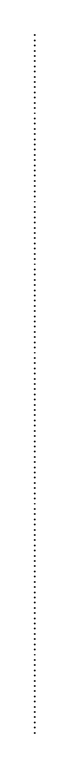
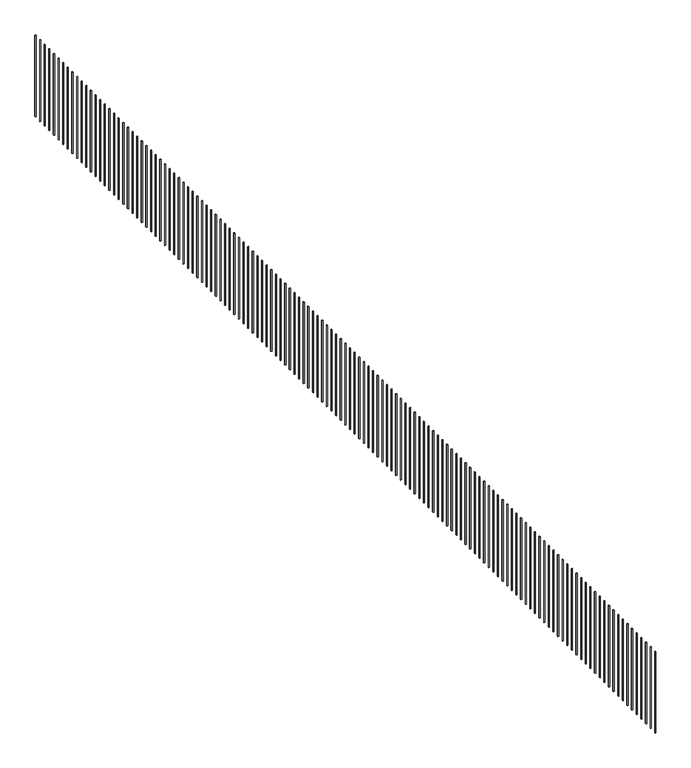
"""IFC4 building model written with IfcOpenShell, lengths in millimetres: railing geometry."""

import ifcopenshell
import ifcopenshell.guid

model = None  # the IFC model being written
_history = None  # IfcOwnerHistory: only IFC2X3 demands one
_inside = {}  # id of a spatial element -> (the spatial element, [elements in it])
_under = {}  # id of a project, library or spatial element -> (it, [spatial elements below it])
_declared = {}  # id of a project -> (the project, [libraries it declares])
_typed = {}  # id of a type object -> (the type object, [elements of that type])
_made_of = {}  # id of a material, layer set ... -> (it, [elements and type objects made of it])


def new_model(schema):
    """Start an empty IFC model of exactly this schema.

    Asked for "IFC4X3", IfcOpenShell would pick the latest addendum, in which some entities
    have other attributes; the version numbers below select the first issue.
    IFC2X3 requires an IfcOwnerHistory on every rooted entity: one is made here for all.
    """
    global model, _history
    if schema == "IFC4X3":
        model = ifcopenshell.file(schema_version=(4, 3, 0, 0))
    else:
        model = ifcopenshell.file(schema=schema)
    _inside.clear()
    _under.clear()
    _declared.clear()
    _typed.clear()
    _made_of.clear()
    _history = None
    if model.schema == "IFC2X3":
        org = make("IfcOrganization", Name="unknown")
        user = make(
            "IfcPersonAndOrganization",
            ThePerson=make("IfcPerson", FamilyName="unknown"),
            TheOrganization=org,
        )
        app = make(
            "IfcApplication",
            ApplicationDeveloper=org,
            Version="unknown",
            ApplicationFullName="unknown",
            ApplicationIdentifier="unknown",
        )
        _history = make(
            "IfcOwnerHistory",
            OwningUser=user,
            OwningApplication=app,
            ChangeAction="ADDED",
            CreationDate=0,
        )
    return model


def make(cls, **values):
    """One entity of the class cls with the attributes given. An attribute that is None is left unset."""
    return model.create_entity(
        cls, **{name: value for name, value in values.items() if value is not None}
    )


def rooted(cls, **values):
    """An entity with a GlobalId (a new one), such as an element, a storey or a relation."""
    return make(cls, GlobalId=ifcopenshell.guid.new(), OwnerHistory=_history, **values)


def si_unit(unit_type, name, prefix=None):
    """IfcSIUnit, for example si_unit("LENGTHUNIT", "METRE", prefix="MILLI")."""
    return make("IfcSIUnit", UnitType=unit_type, Prefix=prefix, Name=name)


def assignment(units):
    """IfcUnitAssignment: the units of a project."""
    return None if units is None else make("IfcUnitAssignment", Units=units)


def point(xyz):
    """IfcCartesianPoint."""
    return None if xyz is None else make("IfcCartesianPoint", Coordinates=xyz)


def direction(xyz):
    """IfcDirection."""
    return None if xyz is None else make("IfcDirection", DirectionRatios=xyz)


def frame(location, z_axis=None, x_axis=None):
    """IfcAxis2Placement3D, a coordinate frame: its origin and axes. An axis left out is left unset."""
    return make(
        "IfcAxis2Placement3D",
        Location=point(location),
        Axis=direction(z_axis),
        RefDirection=direction(x_axis),
    )


def origin():
    """The frame at (0, 0, 0) with its axes left unset."""
    return frame((0.0, 0.0, 0.0))


def place(relative_to, where):
    """IfcLocalPlacement: puts the frame where relative to a parent placement (None: the world)."""
    return make(
        "IfcLocalPlacement", PlacementRelTo=relative_to, RelativePlacement=where
    )


def context(
    kind, dimensions, precision=None, world=None, true_north=None, identifier=None
):
    """IfcGeometricRepresentationContext, for example the 3D "Model" context."""
    return make(
        "IfcGeometricRepresentationContext",
        ContextIdentifier=identifier,
        ContextType=kind,
        CoordinateSpaceDimension=dimensions,
        Precision=precision,
        WorldCoordinateSystem=world,
        TrueNorth=true_north,
    )


def project(units=None, contexts=None):
    """IfcProject with its units and contexts."""
    return rooted(
        "IfcProject",
        Name="project",
        RepresentationContexts=contexts,
        UnitsInContext=assignment(units),
    )


def spatial(cls, under=None, at=None, **own):
    """A site, building, storey or space (cls), placed at a placement, below another one or the project."""
    s = rooted(cls, ObjectPlacement=at, **own)
    if under is not None:
        _under.setdefault(under.id(), (under, []))[1].append(s)
    return s


def polyline(points):
    """IfcPolyline through the points."""
    return make("IfcPolyline", Points=[point(p) for p in points])


def outline(outer, holes=None, kind="AREA"):
    """IfcArbitraryClosedProfileDef: a profile drawn as a closed curve; with holes, ...WithVoids."""
    if holes is None:
        return make("IfcArbitraryClosedProfileDef", ProfileType=kind, OuterCurve=outer)
    return make(
        "IfcArbitraryProfileDefWithVoids",
        ProfileType=kind,
        OuterCurve=outer,
        InnerCurves=holes,
    )


def extrude(swept, where, along, depth):
    """IfcExtrudedAreaSolid: the profile swept, set in the frame where, extruded along a direction by depth."""
    return make(
        "IfcExtrudedAreaSolid",
        SweptArea=swept,
        Position=where,
        ExtrudedDirection=direction(along),
        Depth=depth,
    )


def shape(context_of_items, identifier, shape_type, items):
    """IfcShapeRepresentation: the items that make up one representation, for example the "Body"."""
    return make(
        "IfcShapeRepresentation",
        ContextOfItems=context_of_items,
        RepresentationIdentifier=identifier,
        RepresentationType=shape_type,
        Items=items,
    )


def source(mapping_origin, context_of_items, identifier, shape_type, items):
    """IfcRepresentationMap: a shape defined once, which mapped items show again and again."""
    return make(
        "IfcRepresentationMap",
        MappingOrigin=mapping_origin,
        MappedRepresentation=shape(context_of_items, identifier, shape_type, items),
    )


def transform(
    local_origin,
    x_axis=None,
    y_axis=None,
    z_axis=None,
    scale=None,
    scale2=None,
    scale3=None,
    uniform=True,
):
    """IfcCartesianTransformationOperator3D, or its non-uniform kind. x_axis, y_axis, z_axis: its Axis1, 2, 3."""
    if uniform:
        return make(
            "IfcCartesianTransformationOperator3D",
            Axis1=direction(x_axis),
            Axis2=direction(y_axis),
            LocalOrigin=point(local_origin),
            Scale=scale,
            Axis3=direction(z_axis),
        )
    return make(
        "IfcCartesianTransformationOperator3DnonUniform",
        Axis1=direction(x_axis),
        Axis2=direction(y_axis),
        LocalOrigin=point(local_origin),
        Scale=scale,
        Axis3=direction(z_axis),
        Scale2=scale2,
        Scale3=scale3,
    )


def mapped(mapping_source, mapping_target):
    """IfcMappedItem: shows the shape of a source again, moved by a transform."""
    return make(
        "IfcMappedItem", MappingSource=mapping_source, MappingTarget=mapping_target
    )


def made_of(thing, what):
    """Note that an element or type object is made of a material, layer set ...; save() writes the relation."""
    if what is not None:
        _made_of.setdefault(what.id(), (what, []))[1].append(thing)
    return thing


def element(
    cls,
    number,
    at=None,
    inside=None,
    cuts=None,
    type_object=None,
    material=None,
    context=None,
    identifier="Body",
    shape_type=None,
    held_by="IfcProductDefinitionShape",
    body=None,
    shapes=None,
    **own,
):
    """One element of the class cls, such as IfcWall. Its Tag is "e" and its number.

    at: its placement. inside: the storey or other place that contains it. cuts: it is an
    opening in that element (IfcRelVoidsElement). A single representation is given by context,
    identifier, shape_type and body (its items); several are given by shapes. held_by: the class
    of the entity that holds the representations. save() writes the other relations.
    """
    e = rooted(cls, Tag="e%d" % number, ObjectPlacement=at, **own)
    if body is not None:
        shapes = [shape(context, identifier, shape_type, body)]
    if shapes is not None:
        e.Representation = make(held_by, Representations=shapes)
    if inside is not None:
        _inside.setdefault(inside.id(), (inside, []))[1].append(e)
    if cuts is not None:
        rooted(
            "IfcRelVoidsElement", RelatingBuildingElement=cuts, RelatedOpeningElement=e
        )
    if type_object is not None:
        _typed.setdefault(type_object.id(), (type_object, []))[1].append(e)
    return made_of(e, material)


def aggregate(whole, parts):
    """IfcRelAggregates: a whole, such as a stair, and the parts it consists of."""
    return rooted("IfcRelAggregates", RelatingObject=whole, RelatedObjects=parts)


def save(model, path):
    """Write the relations noted so far, then the file.

    IfcRelAggregates (storeys below a building ...), IfcRelContainedInSpatialStructure (elements
    in a storey), IfcRelDefinesByType, IfcRelAssociatesMaterial and IfcRelDeclares: one each for
    every whole, place, type object, material and project.
    """
    for whole, parts in _under.values():
        aggregate(whole, parts)
    for where, things in _inside.values():
        rooted(
            "IfcRelContainedInSpatialStructure",
            RelatedElements=things,
            RelatingStructure=where,
        )
    for kind, things in _typed.values():
        rooted("IfcRelDefinesByType", RelatedObjects=things, RelatingType=kind)
    for what, things in _made_of.values():
        rooted("IfcRelAssociatesMaterial", RelatedObjects=things, RelatingMaterial=what)
    for by, libraries in _declared.values():
        rooted("IfcRelDeclares", RelatingContext=by, RelatedDefinitions=libraries)
    model.write(path)


def railing_72ad2bd1(model_context):
    return source(origin(), model_context, "Body", "SweptSolid", [
        extrude(outline(polyline([(-42017.2544917, 29992.6236386), (-42042.2544917, 29992.6236386), (-42042.2544917, 30017.6236386), (-42017.2544917, 30017.6236386), (-42017.2544917, 29992.6236386)])), frame((0.0, 0.0, 1900.0), z_axis=(0.0, 0.0, 1.0), x_axis=(1.0, 0.0, 0.0)), (0.0, 0.0, 1.0), 2950.0),
        extrude(outline(polyline([(-42017.2544917, 29717.6236386), (-42042.2544917, 29717.6236386), (-42042.2544917, 29742.6236386), (-42017.2544917, 29742.6236386), (-42017.2544917, 29717.6236386)])), frame((0.0, 0.0, 1900.0), z_axis=(0.0, 0.0, 1.0), x_axis=(1.0, 0.0, 0.0)), (0.0, 0.0, 1.0), 2950.0),
        extrude(outline(polyline([(-42017.2544917, 29442.6236386), (-42042.2544917, 29442.6236386), (-42042.2544917, 29467.6236386), (-42017.2544917, 29467.6236386), (-42017.2544917, 29442.6236386)])), frame((0.0, 0.0, 1900.0), z_axis=(0.0, 0.0, 1.0), x_axis=(1.0, 0.0, 0.0)), (0.0, 0.0, 1.0), 2950.0),
        extrude(outline(polyline([(-42017.2544917, 29167.6236386), (-42042.2544917, 29167.6236386), (-42042.2544917, 29192.6236386), (-42017.2544917, 29192.6236386), (-42017.2544917, 29167.6236386)])), frame((0.0, 0.0, 1900.0), z_axis=(0.0, 0.0, 1.0), x_axis=(1.0, 0.0, 0.0)), (0.0, 0.0, 1.0), 2950.0),
        extrude(outline(polyline([(-42017.2544917, 28892.6236386), (-42042.2544917, 28892.6236386), (-42042.2544917, 28917.6236386), (-42017.2544917, 28917.6236386), (-42017.2544917, 28892.6236386)])), frame((0.0, 0.0, 1900.0), z_axis=(0.0, 0.0, 1.0), x_axis=(1.0, 0.0, 0.0)), (0.0, 0.0, 1.0), 2950.0),
        extrude(outline(polyline([(-42017.2544917, 28617.6236386), (-42042.2544917, 28617.6236386), (-42042.2544917, 28642.6236386), (-42017.2544917, 28642.6236386), (-42017.2544917, 28617.6236386)])), frame((0.0, 0.0, 1900.0), z_axis=(0.0, 0.0, 1.0), x_axis=(1.0, 0.0, 0.0)), (0.0, 0.0, 1.0), 2950.0),
        extrude(outline(polyline([(-42017.2544917, 28342.6236386), (-42042.2544917, 28342.6236386), (-42042.2544917, 28367.6236386), (-42017.2544917, 28367.6236386), (-42017.2544917, 28342.6236386)])), frame((0.0, 0.0, 1900.0), z_axis=(0.0, 0.0, 1.0), x_axis=(1.0, 0.0, 0.0)), (0.0, 0.0, 1.0), 2950.0),
        extrude(outline(polyline([(-42017.2544917, 28067.6236386), (-42042.2544917, 28067.6236386), (-42042.2544917, 28092.6236386), (-42017.2544917, 28092.6236386), (-42017.2544917, 28067.6236386)])), frame((0.0, 0.0, 1900.0), z_axis=(0.0, 0.0, 1.0), x_axis=(1.0, 0.0, 0.0)), (0.0, 0.0, 1.0), 2950.0),
        extrude(outline(polyline([(-42017.2544917, 27792.6236386), (-42042.2544917, 27792.6236386), (-42042.2544917, 27817.6236386), (-42017.2544917, 27817.6236386), (-42017.2544917, 27792.6236386)])), frame((0.0, 0.0, 1900.0), z_axis=(0.0, 0.0, 1.0), x_axis=(1.0, 0.0, 0.0)), (0.0, 0.0, 1.0), 2950.0),
        extrude(outline(polyline([(-42017.2544917, 27517.6236386), (-42042.2544917, 27517.6236386), (-42042.2544917, 27542.6236386), (-42017.2544917, 27542.6236386), (-42017.2544917, 27517.6236386)])), frame((0.0, 0.0, 1900.0), z_axis=(0.0, 0.0, 1.0), x_axis=(1.0, 0.0, 0.0)), (0.0, 0.0, 1.0), 2950.0),
        extrude(outline(polyline([(-42017.2544917, 27242.6236386), (-42042.2544917, 27242.6236386), (-42042.2544917, 27267.6236386), (-42017.2544917, 27267.6236386), (-42017.2544917, 27242.6236386)])), frame((0.0, 0.0, 1900.0), z_axis=(0.0, 0.0, 1.0), x_axis=(1.0, 0.0, 0.0)), (0.0, 0.0, 1.0), 2950.0),
        extrude(outline(polyline([(-42017.2544917, 26967.6236386), (-42042.2544917, 26967.6236386), (-42042.2544917, 26992.6236386), (-42017.2544917, 26992.6236386), (-42017.2544917, 26967.6236386)])), frame((0.0, 0.0, 1900.0), z_axis=(0.0, 0.0, 1.0), x_axis=(1.0, 0.0, 0.0)), (0.0, 0.0, 1.0), 2950.0),
        extrude(outline(polyline([(-42017.2544917, 26692.6236386), (-42042.2544917, 26692.6236386), (-42042.2544917, 26717.6236386), (-42017.2544917, 26717.6236386), (-42017.2544917, 26692.6236386)])), frame((0.0, 0.0, 1900.0), z_axis=(0.0, 0.0, 1.0), x_axis=(1.0, 0.0, 0.0)), (0.0, 0.0, 1.0), 2950.0),
        extrude(outline(polyline([(-42017.2544917, 26417.6236386), (-42042.2544917, 26417.6236386), (-42042.2544917, 26442.6236386), (-42017.2544917, 26442.6236386), (-42017.2544917, 26417.6236386)])), frame((0.0, 0.0, 1900.0), z_axis=(0.0, 0.0, 1.0), x_axis=(1.0, 0.0, 0.0)), (0.0, 0.0, 1.0), 2950.0),
        extrude(outline(polyline([(-42017.2544917, 26142.6236386), (-42042.2544917, 26142.6236386), (-42042.2544917, 26167.6236386), (-42017.2544917, 26167.6236386), (-42017.2544917, 26142.6236386)])), frame((0.0, 0.0, 1900.0), z_axis=(0.0, 0.0, 1.0), x_axis=(1.0, 0.0, 0.0)), (0.0, 0.0, 1.0), 2950.0),
        extrude(outline(polyline([(-42017.2544917, 25867.6236386), (-42042.2544917, 25867.6236386), (-42042.2544917, 25892.6236386), (-42017.2544917, 25892.6236386), (-42017.2544917, 25867.6236386)])), frame((0.0, 0.0, 1900.0), z_axis=(0.0, 0.0, 1.0), x_axis=(1.0, 0.0, 0.0)), (0.0, 0.0, 1.0), 2950.0),
        extrude(outline(polyline([(-42017.2544917, 25592.6236386), (-42042.2544917, 25592.6236386), (-42042.2544917, 25617.6236386), (-42017.2544917, 25617.6236386), (-42017.2544917, 25592.6236386)])), frame((0.0, 0.0, 1900.0), z_axis=(0.0, 0.0, 1.0), x_axis=(1.0, 0.0, 0.0)), (0.0, 0.0, 1.0), 2950.0),
        extrude(outline(polyline([(-42017.2544917, 25317.6236386), (-42042.2544917, 25317.6236386), (-42042.2544917, 25342.6236386), (-42017.2544917, 25342.6236386), (-42017.2544917, 25317.6236386)])), frame((0.0, 0.0, 1900.0), z_axis=(0.0, 0.0, 1.0), x_axis=(1.0, 0.0, 0.0)), (0.0, 0.0, 1.0), 2950.0),
        extrude(outline(polyline([(-42017.2544917, 25042.6236386), (-42042.2544917, 25042.6236386), (-42042.2544917, 25067.6236386), (-42017.2544917, 25067.6236386), (-42017.2544917, 25042.6236386)])), frame((0.0, 0.0, 1900.0), z_axis=(0.0, 0.0, 1.0), x_axis=(1.0, 0.0, 0.0)), (0.0, 0.0, 1.0), 2950.0),
        extrude(outline(polyline([(-42017.2544917, 24767.6236386), (-42042.2544917, 24767.6236386), (-42042.2544917, 24792.6236386), (-42017.2544917, 24792.6236386), (-42017.2544917, 24767.6236386)])), frame((0.0, 0.0, 1900.0), z_axis=(0.0, 0.0, 1.0), x_axis=(1.0, 0.0, 0.0)), (0.0, 0.0, 1.0), 2950.0),
        extrude(outline(polyline([(-42017.2544917, 24492.6236386), (-42042.2544917, 24492.6236386), (-42042.2544917, 24517.6236386), (-42017.2544917, 24517.6236386), (-42017.2544917, 24492.6236386)])), frame((0.0, 0.0, 1900.0), z_axis=(0.0, 0.0, 1.0), x_axis=(1.0, 0.0, 0.0)), (0.0, 0.0, 1.0), 2950.0),
        extrude(outline(polyline([(-42017.2544917, 24217.6236386), (-42042.2544917, 24217.6236386), (-42042.2544917, 24242.6236386), (-42017.2544917, 24242.6236386), (-42017.2544917, 24217.6236386)])), frame((0.0, 0.0, 1900.0), z_axis=(0.0, 0.0, 1.0), x_axis=(1.0, 0.0, 0.0)), (0.0, 0.0, 1.0), 2950.0),
        extrude(outline(polyline([(-42017.2544917, 23942.6236386), (-42042.2544917, 23942.6236386), (-42042.2544917, 23967.6236386), (-42017.2544917, 23967.6236386), (-42017.2544917, 23942.6236386)])), frame((0.0, 0.0, 1900.0), z_axis=(0.0, 0.0, 1.0), x_axis=(1.0, 0.0, 0.0)), (0.0, 0.0, 1.0), 2950.0),
        extrude(outline(polyline([(-42017.2544917, 23667.6236386), (-42042.2544917, 23667.6236386), (-42042.2544917, 23692.6236386), (-42017.2544917, 23692.6236386), (-42017.2544917, 23667.6236386)])), frame((0.0, 0.0, 1900.0), z_axis=(0.0, 0.0, 1.0), x_axis=(1.0, 0.0, 0.0)), (0.0, 0.0, 1.0), 2950.0),
        extrude(outline(polyline([(-42017.2544917, 23392.6236386), (-42042.2544917, 23392.6236386), (-42042.2544917, 23417.6236386), (-42017.2544917, 23417.6236386), (-42017.2544917, 23392.6236386)])), frame((0.0, 0.0, 1900.0), z_axis=(0.0, 0.0, 1.0), x_axis=(1.0, 0.0, 0.0)), (0.0, 0.0, 1.0), 2950.0),
        extrude(outline(polyline([(-42017.2544917, 23117.6236386), (-42042.2544917, 23117.6236386), (-42042.2544917, 23142.6236386), (-42017.2544917, 23142.6236386), (-42017.2544917, 23117.6236386)])), frame((0.0, 0.0, 1900.0), z_axis=(0.0, 0.0, 1.0), x_axis=(1.0, 0.0, 0.0)), (0.0, 0.0, 1.0), 2950.0),
        extrude(outline(polyline([(-42017.2544917, 22842.6236386), (-42042.2544917, 22842.6236386), (-42042.2544917, 22867.6236386), (-42017.2544917, 22867.6236386), (-42017.2544917, 22842.6236386)])), frame((0.0, 0.0, 1900.0), z_axis=(0.0, 0.0, 1.0), x_axis=(1.0, 0.0, 0.0)), (0.0, 0.0, 1.0), 2950.0),
        extrude(outline(polyline([(-42017.2544917, 22567.6236386), (-42042.2544917, 22567.6236386), (-42042.2544917, 22592.6236386), (-42017.2544917, 22592.6236386), (-42017.2544917, 22567.6236386)])), frame((0.0, 0.0, 1900.0), z_axis=(0.0, 0.0, 1.0), x_axis=(1.0, 0.0, 0.0)), (0.0, 0.0, 1.0), 2950.0),
        extrude(outline(polyline([(-42017.2544917, 22292.6236386), (-42042.2544917, 22292.6236386), (-42042.2544917, 22317.6236386), (-42017.2544917, 22317.6236386), (-42017.2544917, 22292.6236386)])), frame((0.0, 0.0, 1900.0), z_axis=(0.0, 0.0, 1.0), x_axis=(1.0, 0.0, 0.0)), (0.0, 0.0, 1.0), 2950.0),
        extrude(outline(polyline([(-42017.2544917, 22017.6236386), (-42042.2544917, 22017.6236386), (-42042.2544917, 22042.6236386), (-42017.2544917, 22042.6236386), (-42017.2544917, 22017.6236386)])), frame((0.0, 0.0, 1900.0), z_axis=(0.0, 0.0, 1.0), x_axis=(1.0, 0.0, 0.0)), (0.0, 0.0, 1.0), 2950.0),
        extrude(outline(polyline([(-42017.2544917, 21742.6236386), (-42042.2544917, 21742.6236386), (-42042.2544917, 21767.6236386), (-42017.2544917, 21767.6236386), (-42017.2544917, 21742.6236386)])), frame((0.0, 0.0, 1900.0), z_axis=(0.0, 0.0, 1.0), x_axis=(1.0, 0.0, 0.0)), (0.0, 0.0, 1.0), 2950.0),
        extrude(outline(polyline([(-42017.2544917, 21467.6236386), (-42042.2544917, 21467.6236386), (-42042.2544917, 21492.6236386), (-42017.2544917, 21492.6236386), (-42017.2544917, 21467.6236386)])), frame((0.0, 0.0, 1900.0), z_axis=(0.0, 0.0, 1.0), x_axis=(1.0, 0.0, 0.0)), (0.0, 0.0, 1.0), 2950.0),
        extrude(outline(polyline([(-42017.2544917, 21192.6236386), (-42042.2544917, 21192.6236386), (-42042.2544917, 21217.6236386), (-42017.2544917, 21217.6236386), (-42017.2544917, 21192.6236386)])), frame((0.0, 0.0, 1900.0), z_axis=(0.0, 0.0, 1.0), x_axis=(1.0, 0.0, 0.0)), (0.0, 0.0, 1.0), 2950.0),
        extrude(outline(polyline([(-42017.2544917, 20917.6236386), (-42042.2544917, 20917.6236386), (-42042.2544917, 20942.6236386), (-42017.2544917, 20942.6236386), (-42017.2544917, 20917.6236386)])), frame((0.0, 0.0, 1900.0), z_axis=(0.0, 0.0, 1.0), x_axis=(1.0, 0.0, 0.0)), (0.0, 0.0, 1.0), 2950.0),
        extrude(outline(polyline([(-42017.2544917, 20642.6236386), (-42042.2544917, 20642.6236386), (-42042.2544917, 20667.6236386), (-42017.2544917, 20667.6236386), (-42017.2544917, 20642.6236386)])), frame((0.0, 0.0, 1900.0), z_axis=(0.0, 0.0, 1.0), x_axis=(1.0, 0.0, 0.0)), (0.0, 0.0, 1.0), 2950.0),
        extrude(outline(polyline([(-42017.2544917, 20367.6236386), (-42042.2544917, 20367.6236386), (-42042.2544917, 20392.6236386), (-42017.2544917, 20392.6236386), (-42017.2544917, 20367.6236386)])), frame((0.0, 0.0, 1900.0), z_axis=(0.0, 0.0, 1.0), x_axis=(1.0, 0.0, 0.0)), (0.0, 0.0, 1.0), 2950.0),
        extrude(outline(polyline([(-42017.2544917, 20092.6236386), (-42042.2544917, 20092.6236386), (-42042.2544917, 20117.6236386), (-42017.2544917, 20117.6236386), (-42017.2544917, 20092.6236386)])), frame((0.0, 0.0, 1900.0), z_axis=(0.0, 0.0, 1.0), x_axis=(1.0, 0.0, 0.0)), (0.0, 0.0, 1.0), 2950.0),
        extrude(outline(polyline([(-42017.2544917, 19817.6236386), (-42042.2544917, 19817.6236386), (-42042.2544917, 19842.6236386), (-42017.2544917, 19842.6236386), (-42017.2544917, 19817.6236386)])), frame((0.0, 0.0, 1900.0), z_axis=(0.0, 0.0, 1.0), x_axis=(1.0, 0.0, 0.0)), (0.0, 0.0, 1.0), 2950.0),
        extrude(outline(polyline([(-42017.2544917, 19542.6236386), (-42042.2544917, 19542.6236386), (-42042.2544917, 19567.6236386), (-42017.2544917, 19567.6236386), (-42017.2544917, 19542.6236386)])), frame((0.0, 0.0, 1900.0), z_axis=(0.0, 0.0, 1.0), x_axis=(1.0, 0.0, 0.0)), (0.0, 0.0, 1.0), 2950.0),
        extrude(outline(polyline([(-42017.2544917, 19267.6236386), (-42042.2544917, 19267.6236386), (-42042.2544917, 19292.6236386), (-42017.2544917, 19292.6236386), (-42017.2544917, 19267.6236386)])), frame((0.0, 0.0, 1900.0), z_axis=(0.0, 0.0, 1.0), x_axis=(1.0, 0.0, 0.0)), (0.0, 0.0, 1.0), 2950.0),
        extrude(outline(polyline([(-42017.2544917, 18992.6236386), (-42042.2544917, 18992.6236386), (-42042.2544917, 19017.6236386), (-42017.2544917, 19017.6236386), (-42017.2544917, 18992.6236386)])), frame((0.0, 0.0, 1900.0), z_axis=(0.0, 0.0, 1.0), x_axis=(1.0, 0.0, 0.0)), (0.0, 0.0, 1.0), 2950.0),
        extrude(outline(polyline([(-42017.2544917, 18717.6236386), (-42042.2544917, 18717.6236386), (-42042.2544917, 18742.6236386), (-42017.2544917, 18742.6236386), (-42017.2544917, 18717.6236386)])), frame((0.0, 0.0, 1900.0), z_axis=(0.0, 0.0, 1.0), x_axis=(1.0, 0.0, 0.0)), (0.0, 0.0, 1.0), 2950.0),
        extrude(outline(polyline([(-42017.2544917, 18442.6236386), (-42042.2544917, 18442.6236386), (-42042.2544917, 18467.6236386), (-42017.2544917, 18467.6236386), (-42017.2544917, 18442.6236386)])), frame((0.0, 0.0, 1900.0), z_axis=(0.0, 0.0, 1.0), x_axis=(1.0, 0.0, 0.0)), (0.0, 0.0, 1.0), 2950.0),
        extrude(outline(polyline([(-42017.2544917, 18167.6236386), (-42042.2544917, 18167.6236386), (-42042.2544917, 18192.6236386), (-42017.2544917, 18192.6236386), (-42017.2544917, 18167.6236386)])), frame((0.0, 0.0, 1900.0), z_axis=(0.0, 0.0, 1.0), x_axis=(1.0, 0.0, 0.0)), (0.0, 0.0, 1.0), 2950.0),
        extrude(outline(polyline([(-42017.2544917, 17892.6236386), (-42042.2544917, 17892.6236386), (-42042.2544917, 17917.6236386), (-42017.2544917, 17917.6236386), (-42017.2544917, 17892.6236386)])), frame((0.0, 0.0, 1900.0), z_axis=(0.0, 0.0, 1.0), x_axis=(1.0, 0.0, 0.0)), (0.0, 0.0, 1.0), 2950.0),
        extrude(outline(polyline([(-42017.2544917, 17617.6236386), (-42042.2544917, 17617.6236386), (-42042.2544917, 17642.6236386), (-42017.2544917, 17642.6236386), (-42017.2544917, 17617.6236386)])), frame((0.0, 0.0, 1900.0), z_axis=(0.0, 0.0, 1.0), x_axis=(1.0, 0.0, 0.0)), (0.0, 0.0, 1.0), 2950.0),
        extrude(outline(polyline([(-42017.2544917, 17342.6236386), (-42042.2544917, 17342.6236386), (-42042.2544917, 17367.6236386), (-42017.2544917, 17367.6236386), (-42017.2544917, 17342.6236386)])), frame((0.0, 0.0, 1900.0), z_axis=(0.0, 0.0, 1.0), x_axis=(1.0, 0.0, 0.0)), (0.0, 0.0, 1.0), 2950.0),
        extrude(outline(polyline([(-42017.2544917, 17067.6236386), (-42042.2544917, 17067.6236386), (-42042.2544917, 17092.6236386), (-42017.2544917, 17092.6236386), (-42017.2544917, 17067.6236386)])), frame((0.0, 0.0, 1900.0), z_axis=(0.0, 0.0, 1.0), x_axis=(1.0, 0.0, 0.0)), (0.0, 0.0, 1.0), 2950.0),
        extrude(outline(polyline([(-42017.2544917, 16792.6236386), (-42042.2544917, 16792.6236386), (-42042.2544917, 16817.6236386), (-42017.2544917, 16817.6236386), (-42017.2544917, 16792.6236386)])), frame((0.0, 0.0, 1900.0), z_axis=(0.0, 0.0, 1.0), x_axis=(1.0, 0.0, 0.0)), (0.0, 0.0, 1.0), 2950.0),
        extrude(outline(polyline([(-42017.2544917, 16517.6236386), (-42042.2544917, 16517.6236386), (-42042.2544917, 16542.6236386), (-42017.2544917, 16542.6236386), (-42017.2544917, 16517.6236386)])), frame((0.0, 0.0, 1900.0), z_axis=(0.0, 0.0, 1.0), x_axis=(1.0, 0.0, 0.0)), (0.0, 0.0, 1.0), 2950.0),
        extrude(outline(polyline([(-42017.2544917, 16242.6236386), (-42042.2544917, 16242.6236386), (-42042.2544917, 16267.6236386), (-42017.2544917, 16267.6236386), (-42017.2544917, 16242.6236386)])), frame((0.0, 0.0, 1900.0), z_axis=(0.0, 0.0, 1.0), x_axis=(1.0, 0.0, 0.0)), (0.0, 0.0, 1.0), 2950.0),
        extrude(outline(polyline([(-42017.2544917, 15967.6236386), (-42042.2544917, 15967.6236386), (-42042.2544917, 15992.6236386), (-42017.2544917, 15992.6236386), (-42017.2544917, 15967.6236386)])), frame((0.0, 0.0, 1900.0), z_axis=(0.0, 0.0, 1.0), x_axis=(1.0, 0.0, 0.0)), (0.0, 0.0, 1.0), 2950.0),
        extrude(outline(polyline([(-42017.2544917, 15692.6236386), (-42042.2544917, 15692.6236386), (-42042.2544917, 15717.6236386), (-42017.2544917, 15717.6236386), (-42017.2544917, 15692.6236386)])), frame((0.0, 0.0, 1900.0), z_axis=(0.0, 0.0, 1.0), x_axis=(1.0, 0.0, 0.0)), (0.0, 0.0, 1.0), 2950.0),
        extrude(outline(polyline([(-42017.2544917, 15417.6236386), (-42042.2544917, 15417.6236386), (-42042.2544917, 15442.6236386), (-42017.2544917, 15442.6236386), (-42017.2544917, 15417.6236386)])), frame((0.0, 0.0, 1900.0), z_axis=(0.0, 0.0, 1.0), x_axis=(1.0, 0.0, 0.0)), (0.0, 0.0, 1.0), 2950.0),
        extrude(outline(polyline([(-42017.2544917, 15142.6236386), (-42042.2544917, 15142.6236386), (-42042.2544917, 15167.6236386), (-42017.2544917, 15167.6236386), (-42017.2544917, 15142.6236386)])), frame((0.0, 0.0, 1900.0), z_axis=(0.0, 0.0, 1.0), x_axis=(1.0, 0.0, 0.0)), (0.0, 0.0, 1.0), 2950.0),
        extrude(outline(polyline([(-42017.2544917, 14867.6236386), (-42042.2544917, 14867.6236386), (-42042.2544917, 14892.6236386), (-42017.2544917, 14892.6236386), (-42017.2544917, 14867.6236386)])), frame((0.0, 0.0, 1900.0), z_axis=(0.0, 0.0, 1.0), x_axis=(1.0, 0.0, 0.0)), (0.0, 0.0, 1.0), 2950.0),
        extrude(outline(polyline([(-42017.2544917, 14592.6236386), (-42042.2544917, 14592.6236386), (-42042.2544917, 14617.6236386), (-42017.2544917, 14617.6236386), (-42017.2544917, 14592.6236386)])), frame((0.0, 0.0, 1900.0), z_axis=(0.0, 0.0, 1.0), x_axis=(1.0, 0.0, 0.0)), (0.0, 0.0, 1.0), 2950.0),
        extrude(outline(polyline([(-42017.2544917, 14317.6236386), (-42042.2544917, 14317.6236386), (-42042.2544917, 14342.6236386), (-42017.2544917, 14342.6236386), (-42017.2544917, 14317.6236386)])), frame((0.0, 0.0, 1900.0), z_axis=(0.0, 0.0, 1.0), x_axis=(1.0, 0.0, 0.0)), (0.0, 0.0, 1.0), 2950.0),
        extrude(outline(polyline([(-42017.2544917, 14042.6236386), (-42042.2544917, 14042.6236386), (-42042.2544917, 14067.6236386), (-42017.2544917, 14067.6236386), (-42017.2544917, 14042.6236386)])), frame((0.0, 0.0, 1900.0), z_axis=(0.0, 0.0, 1.0), x_axis=(1.0, 0.0, 0.0)), (0.0, 0.0, 1.0), 2950.0),
        extrude(outline(polyline([(-42017.2544917, 13767.6236386), (-42042.2544917, 13767.6236386), (-42042.2544917, 13792.6236386), (-42017.2544917, 13792.6236386), (-42017.2544917, 13767.6236386)])), frame((0.0, 0.0, 1900.0), z_axis=(0.0, 0.0, 1.0), x_axis=(1.0, 0.0, 0.0)), (0.0, 0.0, 1.0), 2950.0),
        extrude(outline(polyline([(-42017.2544917, 13492.6236386), (-42042.2544917, 13492.6236386), (-42042.2544917, 13517.6236386), (-42017.2544917, 13517.6236386), (-42017.2544917, 13492.6236386)])), frame((0.0, 0.0, 1900.0), z_axis=(0.0, 0.0, 1.0), x_axis=(1.0, 0.0, 0.0)), (0.0, 0.0, 1.0), 2950.0),
        extrude(outline(polyline([(-42017.2544917, 13217.6236386), (-42042.2544917, 13217.6236386), (-42042.2544917, 13242.6236386), (-42017.2544917, 13242.6236386), (-42017.2544917, 13217.6236386)])), frame((0.0, 0.0, 1900.0), z_axis=(0.0, 0.0, 1.0), x_axis=(1.0, 0.0, 0.0)), (0.0, 0.0, 1.0), 2950.0),
        extrude(outline(polyline([(-42017.2544917, 12942.6236386), (-42042.2544917, 12942.6236386), (-42042.2544917, 12967.6236386), (-42017.2544917, 12967.6236386), (-42017.2544917, 12942.6236386)])), frame((0.0, 0.0, 1900.0), z_axis=(0.0, 0.0, 1.0), x_axis=(1.0, 0.0, 0.0)), (0.0, 0.0, 1.0), 2950.0),
        extrude(outline(polyline([(-42017.2544917, 12667.6236386), (-42042.2544917, 12667.6236386), (-42042.2544917, 12692.6236386), (-42017.2544917, 12692.6236386), (-42017.2544917, 12667.6236386)])), frame((0.0, 0.0, 1900.0), z_axis=(0.0, 0.0, 1.0), x_axis=(1.0, 0.0, 0.0)), (0.0, 0.0, 1.0), 2950.0),
        extrude(outline(polyline([(-42017.2544917, 12392.6236386), (-42042.2544917, 12392.6236386), (-42042.2544917, 12417.6236386), (-42017.2544917, 12417.6236386), (-42017.2544917, 12392.6236386)])), frame((0.0, 0.0, 1900.0), z_axis=(0.0, 0.0, 1.0), x_axis=(1.0, 0.0, 0.0)), (0.0, 0.0, 1.0), 2950.0),
        extrude(outline(polyline([(-42017.2544917, 12117.6236386), (-42042.2544917, 12117.6236386), (-42042.2544917, 12142.6236386), (-42017.2544917, 12142.6236386), (-42017.2544917, 12117.6236386)])), frame((0.0, 0.0, 1900.0), z_axis=(0.0, 0.0, 1.0), x_axis=(1.0, 0.0, 0.0)), (0.0, 0.0, 1.0), 2950.0),
        extrude(outline(polyline([(-42017.2544917, 11842.6236386), (-42042.2544917, 11842.6236386), (-42042.2544917, 11867.6236386), (-42017.2544917, 11867.6236386), (-42017.2544917, 11842.6236386)])), frame((0.0, 0.0, 1900.0), z_axis=(0.0, 0.0, 1.0), x_axis=(1.0, 0.0, 0.0)), (0.0, 0.0, 1.0), 2950.0),
        extrude(outline(polyline([(-42017.2544917, 11567.6236386), (-42042.2544917, 11567.6236386), (-42042.2544917, 11592.6236386), (-42017.2544917, 11592.6236386), (-42017.2544917, 11567.6236386)])), frame((0.0, 0.0, 1900.0), z_axis=(0.0, 0.0, 1.0), x_axis=(1.0, 0.0, 0.0)), (0.0, 0.0, 1.0), 2950.0),
        extrude(outline(polyline([(-42017.2544917, 11292.6236386), (-42042.2544917, 11292.6236386), (-42042.2544917, 11317.6236386), (-42017.2544917, 11317.6236386), (-42017.2544917, 11292.6236386)])), frame((0.0, 0.0, 1900.0), z_axis=(0.0, 0.0, 1.0), x_axis=(1.0, 0.0, 0.0)), (0.0, 0.0, 1.0), 2950.0),
        extrude(outline(polyline([(-42017.2544917, 11017.6236386), (-42042.2544917, 11017.6236386), (-42042.2544917, 11042.6236386), (-42017.2544917, 11042.6236386), (-42017.2544917, 11017.6236386)])), frame((0.0, 0.0, 1900.0), z_axis=(0.0, 0.0, 1.0), x_axis=(1.0, 0.0, 0.0)), (0.0, 0.0, 1.0), 2950.0),
        extrude(outline(polyline([(-42017.2544917, 10742.6236386), (-42042.2544917, 10742.6236386), (-42042.2544917, 10767.6236386), (-42017.2544917, 10767.6236386), (-42017.2544917, 10742.6236386)])), frame((0.0, 0.0, 1900.0), z_axis=(0.0, 0.0, 1.0), x_axis=(1.0, 0.0, 0.0)), (0.0, 0.0, 1.0), 2950.0),
        extrude(outline(polyline([(-42017.2544917, 10467.6236386), (-42042.2544917, 10467.6236386), (-42042.2544917, 10492.6236386), (-42017.2544917, 10492.6236386), (-42017.2544917, 10467.6236386)])), frame((0.0, 0.0, 1900.0), z_axis=(0.0, 0.0, 1.0), x_axis=(1.0, 0.0, 0.0)), (0.0, 0.0, 1.0), 2950.0),
        extrude(outline(polyline([(-42017.2544917, 10192.6236386), (-42042.2544917, 10192.6236386), (-42042.2544917, 10217.6236386), (-42017.2544917, 10217.6236386), (-42017.2544917, 10192.6236386)])), frame((0.0, 0.0, 1900.0), z_axis=(0.0, 0.0, 1.0), x_axis=(1.0, 0.0, 0.0)), (0.0, 0.0, 1.0), 2950.0),
        extrude(outline(polyline([(-42017.2544917, 9917.6236386), (-42042.2544917, 9917.6236386), (-42042.2544917, 9942.6236386), (-42017.2544917, 9942.6236386), (-42017.2544917, 9917.6236386)])), frame((0.0, 0.0, 1900.0), z_axis=(0.0, 0.0, 1.0), x_axis=(1.0, 0.0, 0.0)), (0.0, 0.0, 1.0), 2950.0),
        extrude(outline(polyline([(-42017.2544917, 9642.6236386), (-42042.2544917, 9642.6236386), (-42042.2544917, 9667.6236386), (-42017.2544917, 9667.6236386), (-42017.2544917, 9642.6236386)])), frame((0.0, 0.0, 1900.0), z_axis=(0.0, 0.0, 1.0), x_axis=(1.0, 0.0, 0.0)), (0.0, 0.0, 1.0), 2950.0),
        extrude(outline(polyline([(-42017.2544917, 9367.6236386), (-42042.2544917, 9367.6236386), (-42042.2544917, 9392.6236386), (-42017.2544917, 9392.6236386), (-42017.2544917, 9367.6236386)])), frame((0.0, 0.0, 1900.0), z_axis=(0.0, 0.0, 1.0), x_axis=(1.0, 0.0, 0.0)), (0.0, 0.0, 1.0), 2950.0),
        extrude(outline(polyline([(-42017.2544917, 9092.6236386), (-42042.2544917, 9092.6236386), (-42042.2544917, 9117.6236386), (-42017.2544917, 9117.6236386), (-42017.2544917, 9092.6236386)])), frame((0.0, 0.0, 1900.0), z_axis=(0.0, 0.0, 1.0), x_axis=(1.0, 0.0, 0.0)), (0.0, 0.0, 1.0), 2950.0),
        extrude(outline(polyline([(-42017.2544917, 8817.6236386), (-42042.2544917, 8817.6236386), (-42042.2544917, 8842.6236386), (-42017.2544917, 8842.6236386), (-42017.2544917, 8817.6236386)])), frame((0.0, 0.0, 1900.0), z_axis=(0.0, 0.0, 1.0), x_axis=(1.0, 0.0, 0.0)), (0.0, 0.0, 1.0), 2950.0),
        extrude(outline(polyline([(-42017.2544917, 8542.6236386), (-42042.2544917, 8542.6236386), (-42042.2544917, 8567.6236386), (-42017.2544917, 8567.6236386), (-42017.2544917, 8542.6236386)])), frame((0.0, 0.0, 1900.0), z_axis=(0.0, 0.0, 1.0), x_axis=(1.0, 0.0, 0.0)), (0.0, 0.0, 1.0), 2950.0),
        extrude(outline(polyline([(-42017.2544917, 8267.6236386), (-42042.2544917, 8267.6236386), (-42042.2544917, 8292.6236386), (-42017.2544917, 8292.6236386), (-42017.2544917, 8267.6236386)])), frame((0.0, 0.0, 1900.0), z_axis=(0.0, 0.0, 1.0), x_axis=(1.0, 0.0, 0.0)), (0.0, 0.0, 1.0), 2950.0),
        extrude(outline(polyline([(-42017.2544917, 7992.6236386), (-42042.2544917, 7992.6236386), (-42042.2544917, 8017.6236386), (-42017.2544917, 8017.6236386), (-42017.2544917, 7992.6236386)])), frame((0.0, 0.0, 1900.0), z_axis=(0.0, 0.0, 1.0), x_axis=(1.0, 0.0, 0.0)), (0.0, 0.0, 1.0), 2950.0),
        extrude(outline(polyline([(-42017.2544917, 7717.6236386), (-42042.2544917, 7717.6236386), (-42042.2544917, 7742.6236386), (-42017.2544917, 7742.6236386), (-42017.2544917, 7717.6236386)])), frame((0.0, 0.0, 1900.0), z_axis=(0.0, 0.0, 1.0), x_axis=(1.0, 0.0, 0.0)), (0.0, 0.0, 1.0), 2950.0),
        extrude(outline(polyline([(-42017.2544917, 7442.6236386), (-42042.2544917, 7442.6236386), (-42042.2544917, 7467.6236386), (-42017.2544917, 7467.6236386), (-42017.2544917, 7442.6236386)])), frame((0.0, 0.0, 1900.0), z_axis=(0.0, 0.0, 1.0), x_axis=(1.0, 0.0, 0.0)), (0.0, 0.0, 1.0), 2950.0),
        extrude(outline(polyline([(-42017.2544917, 7167.6236386), (-42042.2544917, 7167.6236386), (-42042.2544917, 7192.6236386), (-42017.2544917, 7192.6236386), (-42017.2544917, 7167.6236386)])), frame((0.0, 0.0, 1900.0), z_axis=(0.0, 0.0, 1.0), x_axis=(1.0, 0.0, 0.0)), (0.0, 0.0, 1.0), 2950.0),
        extrude(outline(polyline([(-42017.2544917, 6892.6236386), (-42042.2544917, 6892.6236386), (-42042.2544917, 6917.6236386), (-42017.2544917, 6917.6236386), (-42017.2544917, 6892.6236386)])), frame((0.0, 0.0, 1900.0), z_axis=(0.0, 0.0, 1.0), x_axis=(1.0, 0.0, 0.0)), (0.0, 0.0, 1.0), 2950.0),
        extrude(outline(polyline([(-42017.2544917, 6617.6236386), (-42042.2544917, 6617.6236386), (-42042.2544917, 6642.6236386), (-42017.2544917, 6642.6236386), (-42017.2544917, 6617.6236386)])), frame((0.0, 0.0, 1900.0), z_axis=(0.0, 0.0, 1.0), x_axis=(1.0, 0.0, 0.0)), (0.0, 0.0, 1.0), 2950.0),
        extrude(outline(polyline([(-42017.2544917, 6342.6236386), (-42042.2544917, 6342.6236386), (-42042.2544917, 6367.6236386), (-42017.2544917, 6367.6236386), (-42017.2544917, 6342.6236386)])), frame((0.0, 0.0, 1900.0), z_axis=(0.0, 0.0, 1.0), x_axis=(1.0, 0.0, 0.0)), (0.0, 0.0, 1.0), 2950.0),
        extrude(outline(polyline([(-42017.2544917, 6067.6236386), (-42042.2544917, 6067.6236386), (-42042.2544917, 6092.6236386), (-42017.2544917, 6092.6236386), (-42017.2544917, 6067.6236386)])), frame((0.0, 0.0, 1900.0), z_axis=(0.0, 0.0, 1.0), x_axis=(1.0, 0.0, 0.0)), (0.0, 0.0, 1.0), 2950.0),
        extrude(outline(polyline([(-42017.2544917, 5792.6236386), (-42042.2544917, 5792.6236386), (-42042.2544917, 5817.6236386), (-42017.2544917, 5817.6236386), (-42017.2544917, 5792.6236386)])), frame((0.0, 0.0, 1900.0), z_axis=(0.0, 0.0, 1.0), x_axis=(1.0, 0.0, 0.0)), (0.0, 0.0, 1.0), 2950.0),
        extrude(outline(polyline([(-42017.2544917, 5517.6236386), (-42042.2544917, 5517.6236386), (-42042.2544917, 5542.6236386), (-42017.2544917, 5542.6236386), (-42017.2544917, 5517.6236386)])), frame((0.0, 0.0, 1900.0), z_axis=(0.0, 0.0, 1.0), x_axis=(1.0, 0.0, 0.0)), (0.0, 0.0, 1.0), 2950.0),
        extrude(outline(polyline([(-42017.2544917, 5242.6236386), (-42042.2544917, 5242.6236386), (-42042.2544917, 5267.6236386), (-42017.2544917, 5267.6236386), (-42017.2544917, 5242.6236386)])), frame((0.0, 0.0, 1900.0), z_axis=(0.0, 0.0, 1.0), x_axis=(1.0, 0.0, 0.0)), (0.0, 0.0, 1.0), 2950.0),
        extrude(outline(polyline([(-42017.2544917, 4967.6236386), (-42042.2544917, 4967.6236386), (-42042.2544917, 4992.6236386), (-42017.2544917, 4992.6236386), (-42017.2544917, 4967.6236386)])), frame((0.0, 0.0, 1900.0), z_axis=(0.0, 0.0, 1.0), x_axis=(1.0, 0.0, 0.0)), (0.0, 0.0, 1.0), 2950.0),
        extrude(outline(polyline([(-42017.2544917, 4692.6236386), (-42042.2544917, 4692.6236386), (-42042.2544917, 4717.6236386), (-42017.2544917, 4717.6236386), (-42017.2544917, 4692.6236386)])), frame((0.0, 0.0, 1900.0), z_axis=(0.0, 0.0, 1.0), x_axis=(1.0, 0.0, 0.0)), (0.0, 0.0, 1.0), 2950.0),
        extrude(outline(polyline([(-42017.2544917, 4417.6236386), (-42042.2544917, 4417.6236386), (-42042.2544917, 4442.6236386), (-42017.2544917, 4442.6236386), (-42017.2544917, 4417.6236386)])), frame((0.0, 0.0, 1900.0), z_axis=(0.0, 0.0, 1.0), x_axis=(1.0, 0.0, 0.0)), (0.0, 0.0, 1.0), 2950.0),
        extrude(outline(polyline([(-42017.2544917, 4142.6236386), (-42042.2544917, 4142.6236386), (-42042.2544917, 4167.6236386), (-42017.2544917, 4167.6236386), (-42017.2544917, 4142.6236386)])), frame((0.0, 0.0, 1900.0), z_axis=(0.0, 0.0, 1.0), x_axis=(1.0, 0.0, 0.0)), (0.0, 0.0, 1.0), 2950.0),
        extrude(outline(polyline([(-42017.2544917, 3867.6236386), (-42042.2544917, 3867.6236386), (-42042.2544917, 3892.6236386), (-42017.2544917, 3892.6236386), (-42017.2544917, 3867.6236386)])), frame((0.0, 0.0, 1900.0), z_axis=(0.0, 0.0, 1.0), x_axis=(1.0, 0.0, 0.0)), (0.0, 0.0, 1.0), 2950.0),
        extrude(outline(polyline([(-42017.2544917, 3592.6236386), (-42042.2544917, 3592.6236386), (-42042.2544917, 3617.6236386), (-42017.2544917, 3617.6236386), (-42017.2544917, 3592.6236386)])), frame((0.0, 0.0, 1900.0), z_axis=(0.0, 0.0, 1.0), x_axis=(1.0, 0.0, 0.0)), (0.0, 0.0, 1.0), 2950.0),
        extrude(outline(polyline([(-42017.2544917, 3317.6236386), (-42042.2544917, 3317.6236386), (-42042.2544917, 3342.6236386), (-42017.2544917, 3342.6236386), (-42017.2544917, 3317.6236386)])), frame((0.0, 0.0, 1900.0), z_axis=(0.0, 0.0, 1.0), x_axis=(1.0, 0.0, 0.0)), (0.0, 0.0, 1.0), 2950.0),
        extrude(outline(polyline([(-42017.2544917, 3042.6236386), (-42042.2544917, 3042.6236386), (-42042.2544917, 3067.6236386), (-42017.2544917, 3067.6236386), (-42017.2544917, 3042.6236386)])), frame((0.0, 0.0, 1900.0), z_axis=(0.0, 0.0, 1.0), x_axis=(1.0, 0.0, 0.0)), (0.0, 0.0, 1.0), 2950.0),
        extrude(outline(polyline([(-42017.2544917, 2767.6236386), (-42042.2544917, 2767.6236386), (-42042.2544917, 2792.6236386), (-42017.2544917, 2792.6236386), (-42017.2544917, 2767.6236386)])), frame((0.0, 0.0, 1900.0), z_axis=(0.0, 0.0, 1.0), x_axis=(1.0, 0.0, 0.0)), (0.0, 0.0, 1.0), 2950.0),
        extrude(outline(polyline([(-42017.2544917, 2492.6236386), (-42042.2544917, 2492.6236386), (-42042.2544917, 2517.6236386), (-42017.2544917, 2517.6236386), (-42017.2544917, 2492.6236386)])), frame((0.0, 0.0, 1900.0), z_axis=(0.0, 0.0, 1.0), x_axis=(1.0, 0.0, 0.0)), (0.0, 0.0, 1.0), 2950.0),
        extrude(outline(polyline([(-42017.2544917, 2217.6236386), (-42042.2544917, 2217.6236386), (-42042.2544917, 2242.6236386), (-42017.2544917, 2242.6236386), (-42017.2544917, 2217.6236386)])), frame((0.0, 0.0, 1900.0), z_axis=(0.0, 0.0, 1.0), x_axis=(1.0, 0.0, 0.0)), (0.0, 0.0, 1.0), 2950.0),
        extrude(outline(polyline([(-42017.2544917, 1942.6236386), (-42042.2544917, 1942.6236386), (-42042.2544917, 1967.6236386), (-42017.2544917, 1967.6236386), (-42017.2544917, 1942.6236386)])), frame((0.0, 0.0, 1900.0), z_axis=(0.0, 0.0, 1.0), x_axis=(1.0, 0.0, 0.0)), (0.0, 0.0, 1.0), 2950.0),
        extrude(outline(polyline([(-42017.2544917, 1667.6236386), (-42042.2544917, 1667.6236386), (-42042.2544917, 1692.6236386), (-42017.2544917, 1692.6236386), (-42017.2544917, 1667.6236386)])), frame((0.0, 0.0, 1900.0), z_axis=(0.0, 0.0, 1.0), x_axis=(1.0, 0.0, 0.0)), (0.0, 0.0, 1.0), 2950.0),
        extrude(outline(polyline([(-42017.2544917, 1392.6236386), (-42042.2544917, 1392.6236386), (-42042.2544917, 1417.6236386), (-42017.2544917, 1417.6236386), (-42017.2544917, 1392.6236386)])), frame((0.0, 0.0, 1900.0), z_axis=(0.0, 0.0, 1.0), x_axis=(1.0, 0.0, 0.0)), (0.0, 0.0, 1.0), 2950.0),
        extrude(outline(polyline([(-42017.2544917, 1117.6236386), (-42042.2544917, 1117.6236386), (-42042.2544917, 1142.6236386), (-42017.2544917, 1142.6236386), (-42017.2544917, 1117.6236386)])), frame((0.0, 0.0, 1900.0), z_axis=(0.0, 0.0, 1.0), x_axis=(1.0, 0.0, 0.0)), (0.0, 0.0, 1.0), 2950.0),
        extrude(outline(polyline([(-42017.2544917, 842.6236386), (-42042.2544917, 842.6236386), (-42042.2544917, 867.6236386), (-42017.2544917, 867.6236386), (-42017.2544917, 842.6236386)])), frame((0.0, 0.0, 1900.0), z_axis=(0.0, 0.0, 1.0), x_axis=(1.0, 0.0, 0.0)), (0.0, 0.0, 1.0), 2950.0),
        extrude(outline(polyline([(-42017.2544917, 567.6236386), (-42042.2544917, 567.6236386), (-42042.2544917, 592.6236386), (-42017.2544917, 592.6236386), (-42017.2544917, 567.6236386)])), frame((0.0, 0.0, 1900.0), z_axis=(0.0, 0.0, 1.0), x_axis=(1.0, 0.0, 0.0)), (0.0, 0.0, 1.0), 2950.0),
        extrude(outline(polyline([(-42017.2544917, 292.6236386), (-42042.2544917, 292.6236386), (-42042.2544917, 317.6236386), (-42017.2544917, 317.6236386), (-42017.2544917, 292.6236386)])), frame((0.0, 0.0, 1900.0), z_axis=(0.0, 0.0, 1.0), x_axis=(1.0, 0.0, 0.0)), (0.0, 0.0, 1.0), 2950.0),
        extrude(outline(polyline([(-42017.2544917, 17.6236386), (-42042.2544917, 17.6236386), (-42042.2544917, 42.6236386), (-42017.2544917, 42.6236386), (-42017.2544917, 17.6236386)])), frame((0.0, 0.0, 1900.0), z_axis=(0.0, 0.0, 1.0), x_axis=(1.0, 0.0, 0.0)), (0.0, 0.0, 1.0), 2950.0),
        extrude(outline(polyline([(-42017.2544917, -257.3763614), (-42042.2544917, -257.3763614), (-42042.2544917, -232.3763614), (-42017.2544917, -232.3763614), (-42017.2544917, -257.3763614)])), frame((0.0, 0.0, 1900.0), z_axis=(0.0, 0.0, 1.0), x_axis=(1.0, 0.0, 0.0)), (0.0, 0.0, 1.0), 2950.0),
        extrude(outline(polyline([(-42017.2544917, -532.3763614), (-42042.2544917, -532.3763614), (-42042.2544917, -507.3763614), (-42017.2544917, -507.3763614), (-42017.2544917, -532.3763614)])), frame((0.0, 0.0, 1900.0), z_axis=(0.0, 0.0, 1.0), x_axis=(1.0, 0.0, 0.0)), (0.0, 0.0, 1.0), 2950.0),
        extrude(outline(polyline([(-42017.2544917, -807.3763614), (-42042.2544917, -807.3763614), (-42042.2544917, -782.3763614), (-42017.2544917, -782.3763614), (-42017.2544917, -807.3763614)])), frame((0.0, 0.0, 1900.0), z_axis=(0.0, 0.0, 1.0), x_axis=(1.0, 0.0, 0.0)), (0.0, 0.0, 1.0), 2950.0),
        extrude(outline(polyline([(-42017.2544917, -1082.3763614), (-42042.2544917, -1082.3763614), (-42042.2544917, -1057.3763614), (-42017.2544917, -1057.3763614), (-42017.2544917, -1082.3763614)])), frame((0.0, 0.0, 1900.0), z_axis=(0.0, 0.0, 1.0), x_axis=(1.0, 0.0, 0.0)), (0.0, 0.0, 1.0), 2950.0),
        extrude(outline(polyline([(-42017.2544917, -1357.3763614), (-42042.2544917, -1357.3763614), (-42042.2544917, -1332.3763614), (-42017.2544917, -1332.3763614), (-42017.2544917, -1357.3763614)])), frame((0.0, 0.0, 1900.0), z_axis=(0.0, 0.0, 1.0), x_axis=(1.0, 0.0, 0.0)), (0.0, 0.0, 1.0), 2950.0),
        extrude(outline(polyline([(-42017.2544917, -1632.3763614), (-42042.2544917, -1632.3763614), (-42042.2544917, -1607.3763614), (-42017.2544917, -1607.3763614), (-42017.2544917, -1632.3763614)])), frame((0.0, 0.0, 1900.0), z_axis=(0.0, 0.0, 1.0), x_axis=(1.0, 0.0, 0.0)), (0.0, 0.0, 1.0), 2950.0),
        extrude(outline(polyline([(-42017.2544917, -1907.3763614), (-42042.2544917, -1907.3763614), (-42042.2544917, -1882.3763614), (-42017.2544917, -1882.3763614), (-42017.2544917, -1907.3763614)])), frame((0.0, 0.0, 1900.0), z_axis=(0.0, 0.0, 1.0), x_axis=(1.0, 0.0, 0.0)), (0.0, 0.0, 1.0), 2950.0),
        extrude(outline(polyline([(-42017.2544917, -2182.3763614), (-42042.2544917, -2182.3763614), (-42042.2544917, -2157.3763614), (-42017.2544917, -2157.3763614), (-42017.2544917, -2182.3763614)])), frame((0.0, 0.0, 1900.0), z_axis=(0.0, 0.0, 1.0), x_axis=(1.0, 0.0, 0.0)), (0.0, 0.0, 1.0), 2950.0),
        extrude(outline(polyline([(-42017.2544917, -2457.3763614), (-42042.2544917, -2457.3763614), (-42042.2544917, -2432.3763614), (-42017.2544917, -2432.3763614), (-42017.2544917, -2457.3763614)])), frame((0.0, 0.0, 1900.0), z_axis=(0.0, 0.0, 1.0), x_axis=(1.0, 0.0, 0.0)), (0.0, 0.0, 1.0), 2950.0),
        extrude(outline(polyline([(-42017.2544917, -2732.3763614), (-42042.2544917, -2732.3763614), (-42042.2544917, -2707.3763614), (-42017.2544917, -2707.3763614), (-42017.2544917, -2732.3763614)])), frame((0.0, 0.0, 1900.0), z_axis=(0.0, 0.0, 1.0), x_axis=(1.0, 0.0, 0.0)), (0.0, 0.0, 1.0), 2950.0),
        extrude(outline(polyline([(-42017.2544917, -3007.3763614), (-42042.2544917, -3007.3763614), (-42042.2544917, -2982.3763614), (-42017.2544917, -2982.3763614), (-42017.2544917, -3007.3763614)])), frame((0.0, 0.0, 1900.0), z_axis=(0.0, 0.0, 1.0), x_axis=(1.0, 0.0, 0.0)), (0.0, 0.0, 1.0), 2950.0),
        extrude(outline(polyline([(-42017.2544917, -3282.3763614), (-42042.2544917, -3282.3763614), (-42042.2544917, -3257.3763614), (-42017.2544917, -3257.3763614), (-42017.2544917, -3282.3763614)])), frame((0.0, 0.0, 1900.0), z_axis=(0.0, 0.0, 1.0), x_axis=(1.0, 0.0, 0.0)), (0.0, 0.0, 1.0), 2950.0),
        extrude(outline(polyline([(-42017.2544917, -3557.3763614), (-42042.2544917, -3557.3763614), (-42042.2544917, -3532.3763614), (-42017.2544917, -3532.3763614), (-42017.2544917, -3557.3763614)])), frame((0.0, 0.0, 1900.0), z_axis=(0.0, 0.0, 1.0), x_axis=(1.0, 0.0, 0.0)), (0.0, 0.0, 1.0), 2950.0),
        extrude(outline(polyline([(-42017.2544917, -3832.3763614), (-42042.2544917, -3832.3763614), (-42042.2544917, -3807.3763614), (-42017.2544917, -3807.3763614), (-42017.2544917, -3832.3763614)])), frame((0.0, 0.0, 1900.0), z_axis=(0.0, 0.0, 1.0), x_axis=(1.0, 0.0, 0.0)), (0.0, 0.0, 1.0), 2950.0),
        extrude(outline(polyline([(-42017.2544917, -4107.3763614), (-42042.2544917, -4107.3763614), (-42042.2544917, -4082.3763614), (-42017.2544917, -4082.3763614), (-42017.2544917, -4107.3763614)])), frame((0.0, 0.0, 1900.0), z_axis=(0.0, 0.0, 1.0), x_axis=(1.0, 0.0, 0.0)), (0.0, 0.0, 1.0), 2950.0),
        extrude(outline(polyline([(-42017.2544917, -4382.3763614), (-42042.2544917, -4382.3763614), (-42042.2544917, -4357.3763614), (-42017.2544917, -4357.3763614), (-42017.2544917, -4382.3763614)])), frame((0.0, 0.0, 1900.0), z_axis=(0.0, 0.0, 1.0), x_axis=(1.0, 0.0, 0.0)), (0.0, 0.0, 1.0), 2950.0),
        extrude(outline(polyline([(-42017.2544917, -4657.3763614), (-42042.2544917, -4657.3763614), (-42042.2544917, -4632.3763614), (-42017.2544917, -4632.3763614), (-42017.2544917, -4657.3763614)])), frame((0.0, 0.0, 1900.0), z_axis=(0.0, 0.0, 1.0), x_axis=(1.0, 0.0, 0.0)), (0.0, 0.0, 1.0), 2950.0),
        extrude(outline(polyline([(-42017.2544917, -4932.3763614), (-42042.2544917, -4932.3763614), (-42042.2544917, -4907.3763614), (-42017.2544917, -4907.3763614), (-42017.2544917, -4932.3763614)])), frame((0.0, 0.0, 1900.0), z_axis=(0.0, 0.0, 1.0), x_axis=(1.0, 0.0, 0.0)), (0.0, 0.0, 1.0), 2950.0),
        extrude(outline(polyline([(-42017.2544917, -5207.3763614), (-42042.2544917, -5207.3763614), (-42042.2544917, -5182.3763614), (-42017.2544917, -5182.3763614), (-42017.2544917, -5207.3763614)])), frame((0.0, 0.0, 1900.0), z_axis=(0.0, 0.0, 1.0), x_axis=(1.0, 0.0, 0.0)), (0.0, 0.0, 1.0), 2950.0),
        extrude(outline(polyline([(-42017.2544917, -5482.3763614), (-42042.2544917, -5482.3763614), (-42042.2544917, -5457.3763614), (-42017.2544917, -5457.3763614), (-42017.2544917, -5482.3763614)])), frame((0.0, 0.0, 1900.0), z_axis=(0.0, 0.0, 1.0), x_axis=(1.0, 0.0, 0.0)), (0.0, 0.0, 1.0), 2950.0),
        extrude(outline(polyline([(-42017.2544917, -5757.3763614), (-42042.2544917, -5757.3763614), (-42042.2544917, -5732.3763614), (-42017.2544917, -5732.3763614), (-42017.2544917, -5757.3763614)])), frame((0.0, 0.0, 1900.0), z_axis=(0.0, 0.0, 1.0), x_axis=(1.0, 0.0, 0.0)), (0.0, 0.0, 1.0), 2950.0),
        extrude(outline(polyline([(-42017.2544917, -6032.3763614), (-42042.2544917, -6032.3763614), (-42042.2544917, -6007.3763614), (-42017.2544917, -6007.3763614), (-42017.2544917, -6032.3763614)])), frame((0.0, 0.0, 1900.0), z_axis=(0.0, 0.0, 1.0), x_axis=(1.0, 0.0, 0.0)), (0.0, 0.0, 1.0), 2950.0),
        extrude(outline(polyline([(-42017.2544917, -6307.3763614), (-42042.2544917, -6307.3763614), (-42042.2544917, -6282.3763614), (-42017.2544917, -6282.3763614), (-42017.2544917, -6307.3763614)])), frame((0.0, 0.0, 1900.0), z_axis=(0.0, 0.0, 1.0), x_axis=(1.0, 0.0, 0.0)), (0.0, 0.0, 1.0), 2950.0),
        extrude(outline(polyline([(-42017.2544917, -6582.3763614), (-42042.2544917, -6582.3763614), (-42042.2544917, -6557.3763614), (-42017.2544917, -6557.3763614), (-42017.2544917, -6582.3763614)])), frame((0.0, 0.0, 1900.0), z_axis=(0.0, 0.0, 1.0), x_axis=(1.0, 0.0, 0.0)), (0.0, 0.0, 1.0), 2950.0),
        extrude(outline(polyline([(-42017.2544917, -6857.3763614), (-42042.2544917, -6857.3763614), (-42042.2544917, -6832.3763614), (-42017.2544917, -6832.3763614), (-42017.2544917, -6857.3763614)])), frame((0.0, 0.0, 1900.0), z_axis=(0.0, 0.0, 1.0), x_axis=(1.0, 0.0, 0.0)), (0.0, 0.0, 1.0), 2950.0),
    ])


if __name__ == "__main__":
    model = new_model("IFC4")
    model_context = context("Model", 3, world=origin())
    ifc_project = project(units=[si_unit("LENGTHUNIT", "METRE", prefix="MILLI")], contexts=[model_context])
    site = spatial("IfcSite", under=ifc_project)
    building = spatial("IfcBuilding", under=site)
    placement = place(None, origin())
    railing_shape = railing_72ad2bd1(model_context)
    element("IfcRailing", 1, at=placement, inside=building, context=model_context, shape_type="MappedRepresentation", body=[
        mapped(railing_shape, transform((0.0, 0.0, 0.0), x_axis=(1.0, 0.0, 0.0), y_axis=(0.0, 1.0, 0.0), z_axis=(0.0, 0.0, 1.0))),
    ])
    save(model, "model.ifc")
